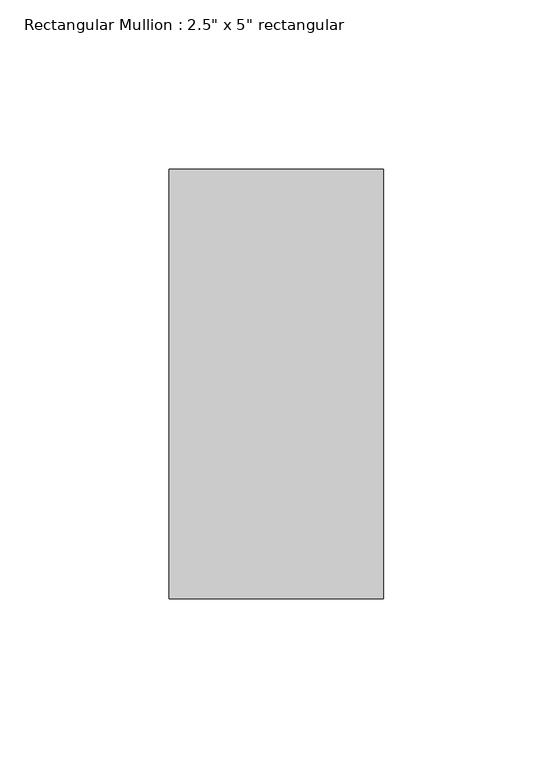
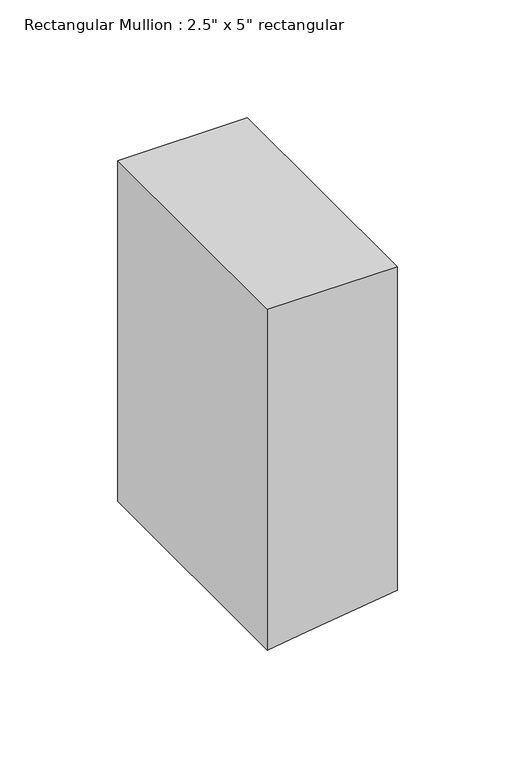
"""IFC4 building model written with IfcOpenShell, lengths in millimetres: member geometry."""

from ifc_helpers import new_model, si_unit, frame, origin, place, context, project, spatial, polyline, outline, extrude, source, transform, mapped, element, save


def member_0f22fc50(model_context):
    return source(origin(), model_context, "Body", "SweptSolid", [
        extrude(outline(polyline([(0.0, 31.75), (0.0, -31.75), (-176.48975, -31.75), (-173.1144875, -8.8822101), (-167.6316244, 31.75), (0.0, 31.75)])), frame((0.0, -63.5, 0.0), z_axis=(0.0, 1.0, 0.0), x_axis=(0.0, 0.0, 1.0)), (0.0, 0.0, 1.0), 127.0),
    ])


if __name__ == "__main__":
    model = new_model("IFC4")
    model_context = context("Model", 3, world=origin())
    ifc_project = project(units=[si_unit("LENGTHUNIT", "METRE", prefix="MILLI")], contexts=[model_context])
    site = spatial("IfcSite", under=ifc_project)
    building = spatial("IfcBuilding", under=site)
    placement = place(None, origin())
    member_shape = member_0f22fc50(model_context)
    element("IfcMember", 1, ObjectType="Rectangular Mullion : 2.5\" x 5\" rectangular", at=placement, inside=building, context=model_context, shape_type="MappedRepresentation", body=[
        mapped(member_shape, transform((0.0, 0.0, 0.0), x_axis=(1.0, 0.0, 0.0), y_axis=(0.0, 1.0, 0.0), z_axis=(0.0, 0.0, 1.0))),
    ])
    save(model, "model.ifc")
